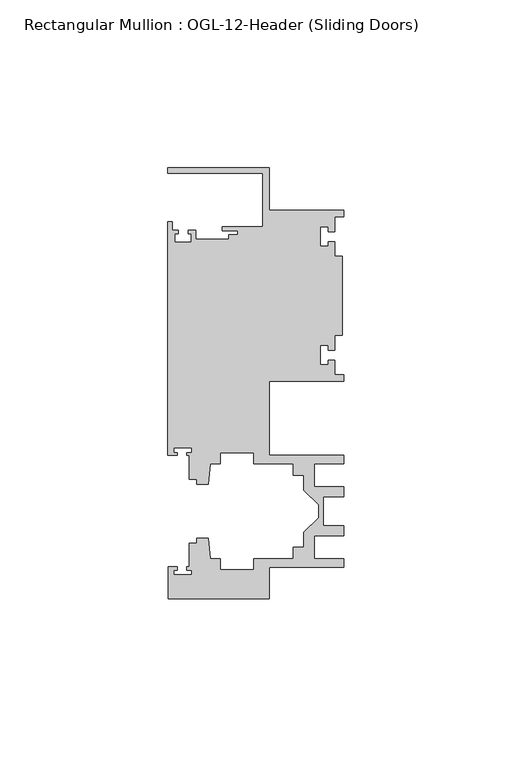
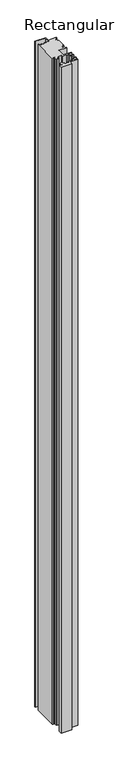
"""IFC4 building model written with IfcOpenShell, lengths in millimetres: member geometry, Rectangular Mullion : OGL-12-Header (Sliding Doors)."""

from ifc_helpers import new_model, si_unit, frame, origin, place, context, project, spatial, polyline, outline, extrude, source, transform, mapped, element, save


def rectangular_mullion_ogl_12_header_sliding_doors_28aae22a(model_context):
    return source(origin(), model_context, "Body", "SweptSolid", [
        extrude(outline(polyline([(0.0, 25.4), (0.0, 23.488176), (-2.740223, 23.488176), (-2.740223, 19.1395859), (-4.5407068, 19.1395859), (-4.5407068, 20.5271706), (-7.0406862, 20.5271706), (-7.0406862, 14.7651725), (-4.5407047, 14.7651725), (-4.5407047, 16.1605952), (-2.740223, 16.1605952), (-2.740223, 11.8041704), (-0.508, 11.8041704), (-0.508, -11.8041704), (-2.740223, -11.8041704), (-2.740223, -16.1605952), (-4.5407047, -16.1605952), (-4.5407047, -14.7651725), (-7.0406862, -14.7651725), (-7.0406862, -20.5271706), (-4.5407068, -20.5271706), (-4.5407068, -19.1395859), (-2.740223, -19.1395859), (-2.740223, -23.488176), (0.0, -23.488176), (0.0, -25.4), (-22.2332898, -25.4), (-22.2332898, -47.513352), (-0.0082575, -47.513352), (-0.0082575, -50.013352), (-8.8582575, -50.013352), (-8.8582575, -56.8562795), (-0.0082575, -56.8562795), (-0.0082575, -59.8562795), (-6.1582575, -59.8562795), (-6.1582575, -68.5325565), (-0.0082575, -68.5325565), (-0.0082575, -71.5325565), (-8.8582575, -71.5325565), (-8.8582575, -78.375484), (-0.0082575, -78.375484), (-0.0082575, -80.875484), (-22.2032575, -80.875484), (-22.2032575, -90.3252352), (-52.2095715, -90.3252352), (-52.2095715, -80.7425364), (-49.5692346, -80.7425364), (-49.5692346, -81.7156466), (-50.6220715, -81.7156466), (-50.6220715, -83.0934363), (-45.3220715, -83.0934363), (-45.3220715, -81.7156466), (-46.8181909, -81.7156466), (-46.8181909, -80.7425364), (-45.9710366, -80.7425364), (-45.9710366, -73.7629518), (-43.7582575, -73.7629518), (-43.7582575, -72.175484), (-40.3395523, -72.175484), (-39.7961967, -78.3860669), (-36.8419772, -78.3860669), (-36.8419772, -81.550484), (-26.7462575, -81.550484), (-26.7462575, -78.375484), (-15.0768765, -78.375484), (-15.0768765, -74.975484), (-11.8582575, -74.975484), (-11.8582575, -70.4941892), (-7.4980859, -66.1340176), (-7.4980859, -62.2548184), (-11.8582575, -57.8946468), (-11.8582575, -53.413352), (-15.0768765, -53.413352), (-15.0768765, -50.013352), (-26.7462575, -50.013352), (-26.7462575, -46.838352), (-36.8419772, -46.838352), (-36.8419772, -50.0027691), (-39.7961967, -50.0027691), (-40.3395523, -56.213352), (-43.7582575, -56.213352), (-43.7582575, -54.6622994), (-45.9710366, -54.6622994), (-45.9710366, -47.583496), (-46.769305, -47.583496), (-46.769305, -46.7096046), (-45.3220715, -46.7096046), (-45.3220715, -45.3318149), (-50.6220715, -45.3318149), (-50.6220715, -46.7096046), (-49.5910554, -46.7096046), (-49.5910554, -47.583496), (-52.3921824, -47.583496), (-52.3921824, 21.9710976), (-51.1362531, 21.9710976), (-51.1362531, 19.4824275), (-49.3568347, 19.4824275), (-49.3568347, 18.4751625), (-50.359397, 18.4751625), (-50.359397, 15.9751675), (-45.359407, 15.9751675), (-45.359407, 18.4751625), (-46.3304245, 18.4751625), (-46.3304245, 19.4824275), (-44.1094055, 19.4824275), (-44.1094055, 16.8641675), (-34.2833684, 16.8641675), (-34.2833684, 18.1510261), (-31.5444935, 18.1510261), (-31.5444935, 19.3006707), (-36.2104247, 19.3006707), (-36.2104247, 20.5916734), (-24.0747898, 20.5916734), (-24.0747898, 36.512516), (-52.3921824, 36.512516), (-52.3921824, 38.0996792), (-22.2332898, 38.0996792), (-22.2332898, 25.4), (0.0, 25.4)])), frame((0.0, 0.0, -1981.2), z_axis=(0.0, 0.0, 1.0), x_axis=(1.0, 0.0, 0.0)), (0.0, 0.0, 1.0), 1981.2),
    ])


if __name__ == "__main__":
    model = new_model("IFC4")
    model_context = context("Model", 3, world=origin())
    ifc_project = project(units=[si_unit("LENGTHUNIT", "METRE", prefix="MILLI")], contexts=[model_context])
    site = spatial("IfcSite", under=ifc_project)
    building = spatial("IfcBuilding", under=site)
    placement = place(None, origin())
    rectangular_mullion_ogl_12_header_sliding_doors_shape = rectangular_mullion_ogl_12_header_sliding_doors_28aae22a(model_context)
    element("IfcMember", 1, ObjectType="Rectangular Mullion : OGL-12-Header (Sliding Doors)", at=placement, inside=building, context=model_context, shape_type="MappedRepresentation", body=[
        mapped(rectangular_mullion_ogl_12_header_sliding_doors_shape, transform((0.0, 0.0, 0.0), x_axis=(1.0, 0.0, 0.0), y_axis=(0.0, 1.0, 0.0), z_axis=(0.0, 0.0, 1.0))),
    ])
    save(model, "model.ifc")
